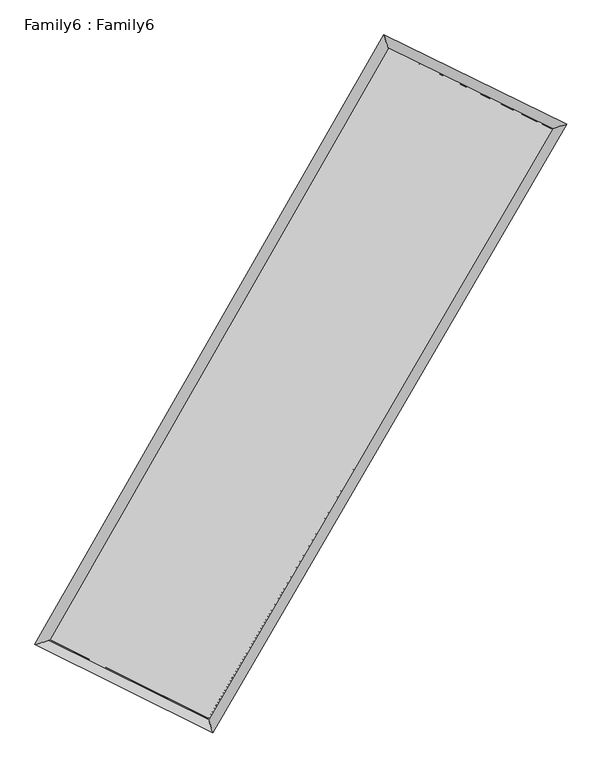
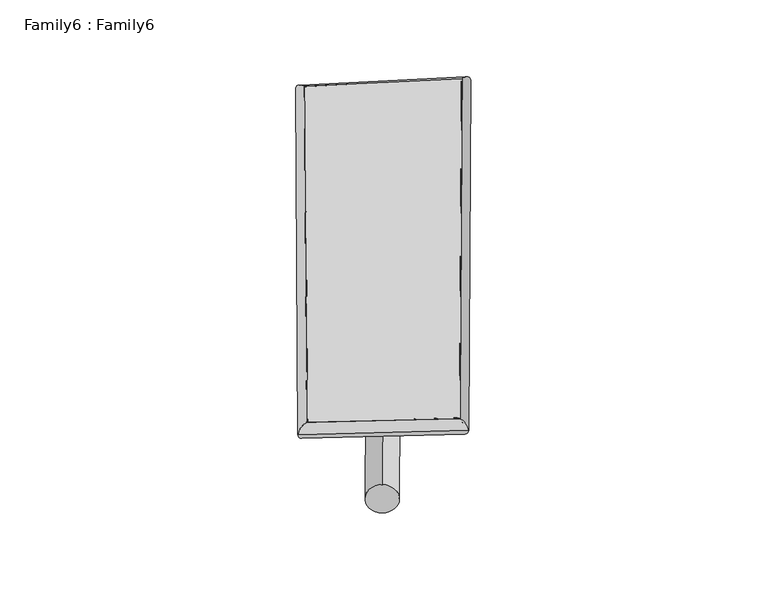
"""IFC4 building model written with IfcOpenShell, lengths in millimetres: plate geometry, Family6 : Family6."""

from ifc_helpers import new_model, si_unit, point, frame, origin, origin_2d, place, context, project, spatial, circle_curve, ellipse_curve, trimmed, segment, composite_curve, outline, extrude, source, transform, mapped, element, save
from ifc_brep_helpers import plane_surface, cylinder_surface, spline_surface, advanced_brep


def family6_family6_5b002ce4(model_context):
    return source(origin(), model_context, "Body", "SolidModel", [
        extrude(outline(composite_curve([segment(trimmed(circle_curve(origin_2d(), 76.2), [point((-75.4341514, -10.7763074))], [point((75.4341514, 10.7763074))], False, "CARTESIAN"), True, "CONTINUOUS"), segment(trimmed(circle_curve(origin_2d(), 76.2), [point((75.4341514, 10.7763074))], [point((-75.4341514, -10.7763074))], False, "CARTESIAN"), True, "CONTINUOUS")], self_intersect=False)), frame((9144.0, 9144.0, 0.0), z_axis=(0.6777027914080683, 0.6841219961020477, 0.2696219964451381), x_axis=(-0.6760460978060835, 0.7239091165228085, -0.13754004746376336)), (0.0, 0.0, 1.0), 5716.9769713),
        extrude(outline(composite_curve([segment(trimmed(circle_curve(origin_2d(), 76.2), [point((-53.8815368, 53.8815368))], [point((53.8815368, -53.8815368))], False, "CARTESIAN"), True, "CONTINUOUS"), segment(trimmed(circle_curve(origin_2d(), 76.2), [point((53.8815368, -53.8815368))], [point((-53.8815368, 53.8815368))], False, "CARTESIAN"), True, "CONTINUOUS")], self_intersect=False)), frame((9144.0, 9144.0, 0.0), z_axis=(-0.6730599264311279, -0.6883149705474405, 0.27057870713121734), x_axis=(0.6405917210101886, -0.35970518617099984, 0.6784205377307582)), (0.0, 0.0, 1.0), 5697.5736381),
        extrude(outline(composite_curve([segment(trimmed(circle_curve(origin_2d(), 76.2), [point((-53.8815368, -53.8815367))], [point((53.8815368, 53.8815367))], False, "CARTESIAN"), True, "CONTINUOUS"), segment(trimmed(circle_curve(origin_2d(), 76.2), [point((53.8815368, 53.8815367))], [point((-53.8815368, -53.8815367))], False, "CARTESIAN"), True, "CONTINUOUS")], self_intersect=False)), frame((9144.0, 9144.0, 0.0), z_axis=(0.24468528444794188, 0.9306348587515235, 0.27211738505865785), x_axis=(-0.8451485449402689, 0.34226371534915734, -0.4105843228141296)), (0.0, 0.0, 1.0), 5528.4915035),
        extrude(outline(composite_curve([segment(trimmed(circle_curve(origin_2d(), 76.2), [point((-75.4341514, 10.7763074))], [point((75.4341514, -10.7763074))], False, "CARTESIAN"), True, "CONTINUOUS"), segment(trimmed(circle_curve(origin_2d(), 76.2), [point((75.4341514, -10.7763074))], [point((-75.4341514, 10.7763074))], False, "CARTESIAN"), True, "CONTINUOUS")], self_intersect=False)), frame((9144.0, 9144.0, 0.0), z_axis=(-0.25139516884889346, -0.9288515362793662, 0.27209427158780436), x_axis=(0.8854243966886328, -0.10715762768696936, 0.45226196012606623)), (0.0, 0.0, 1.0), 5527.0322067),
        advanced_brep(
        [(5096.6497576, 5157.6130252, 1539.1243104), (5096.6135217, 5157.5544823, 1545.1935842), (5521.7332551, 5286.936513, 1544.1599071), (10558.052032, 14089.3503769, 1508.002191), (10435.4290002, 14488.663442, 1500.7951115), (5521.7694909, 5286.9950559, 1538.0906334), (12804.3148526, 12990.2150326, 1540.9826445), (13232.5076511, 13120.0043619, 1541.8628448), (7694.5032298, 4210.0487449, 1504.5327244), (7814.5583806, 3810.3665425, 1503.2148803)],
        [
            (0, 1, ellipse_curve(frame((5309.1915063, 5222.2747691, 1541.6421088), z_axis=(-0.29113217756516413, 0.9566535226761328, 0.007489508495977197), x_axis=(-0.9565859186245563, -0.2912051955941287, 0.011954678924956965)), 222.2422777, 152.4)),
            (1, 2, ellipse_curve(frame((5309.1915063, 5222.2747691, 1541.6421088), z_axis=(-0.29113217756516413, 0.9566535226761328, 0.007489508495977197), x_axis=(-0.9565859186245563, -0.2912051955941287, 0.011954678924956965)), 222.2422777, 152.4)),
            (2, 3),
            (3, 4, ellipse_curve(frame((10496.7405161, 14289.0069095, 1504.3986512), z_axis=(-0.9558878693663394, -0.2936577918172462, -0.006594126424241828), x_axis=(0.2935649477056824, -0.9558606703058162, 0.012247466720741059)), 208.891787, 152.4)),
            (4, 0),
            (2, 5, ellipse_curve(frame((5309.1915063, 5222.2747691, 1541.6421088), z_axis=(-0.29113217756516413, 0.9566535226761328, 0.007489508495977197), x_axis=(-0.9565859186245563, -0.2912051955941287, 0.011954678924956965)), 222.2422777, 152.4)),
            (5, 0, ellipse_curve(frame((5309.1915063, 5222.2747691, 1541.6421088), z_axis=(-0.29113217756516413, 0.9566535226761328, 0.007489508495977197), x_axis=(-0.9565859186245563, -0.2912051955941287, 0.011954678924956965)), 222.2422777, 152.4)),
            (4, 3, ellipse_curve(frame((10496.7405161, 14289.0069095, 1504.3986512), z_axis=(-0.9558878693663394, -0.2936577918172462, -0.006594126424241828), x_axis=(0.2935649477056824, -0.9558606703058162, 0.012247466720741059)), 208.891787, 152.4)),
            (3, 6),
            (6, 7, ellipse_curve(frame((13018.4112518, 13055.1096972, 1541.4227446), z_axis=(-0.2900563961411718, 0.9569836170415585, -0.007045833637770576), x_axis=(-0.9569211464180595, -0.29012181147669347, -0.011456615705723443)), 223.7274806, 152.4)),
            (7, 4),
            (7, 6, ellipse_curve(frame((13018.4112518, 13055.1096972, 1541.4227446), z_axis=(-0.2900563961411718, 0.9569836170415585, -0.007045833637770576), x_axis=(-0.9569211464180595, -0.29012181147669347, -0.011456615705723443)), 223.7274806, 152.4)),
            (6, 8),
            (8, 9, ellipse_curve(frame((7754.5308052, 4010.2076437, 1503.8738023), z_axis=(0.9576970272771446, 0.2876928400593527, -0.007016674647142908), x_axis=(-0.2875908058690124, 0.9576684442716332, 0.012754576667290051)), 208.6713156, 152.4)),
            (9, 7),
            (9, 8, ellipse_curve(frame((7754.5308052, 4010.2076437, 1503.8738023), z_axis=(0.9576970272771446, 0.2876928400593527, -0.007016674647142908), x_axis=(-0.2875908058690124, 0.9576684442716332, 0.012754576667290051)), 208.6713156, 152.4)),
            (8, 5),
            (1, 9),
        ],
        [
            cylinder_surface(frame((5309.1915063, 5222.2747691, 1541.6421088), z_axis=(-0.4966090662978193, -0.8679670060177006, 0.003565352083143347), x_axis=(-0.8678295548478593, 0.4964470241938798, -0.020303100787998678)), 152.4),
            cylinder_surface(frame((10496.7405161, 14289.0069095, 1504.3986512), z_axis=(-0.8981543507387106, 0.439482496191315, -0.013187031150943723), x_axis=(0.4396263949434912, 0.8981098545513423, -0.011283706250889897)), 152.4),
            cylinder_surface(frame((13018.4112518, 13055.1096972, 1541.4227446), z_axis=(0.5029897097934078, 0.8642849519662819, 0.0035879864249145415), x_axis=(0.8642918573734042, -0.5029897097934078, -0.0009680495724148904)), 152.4),
            cylinder_surface(frame((7754.5308052, 4010.2076437, 1503.8738023), z_axis=(0.8958899260263503, -0.4440605554529195, -0.013837034918849704), x_axis=(-0.4439797377024194, -0.8959953890805628, 0.008617148952054619)), 152.4),
        ],
        [
            (0, [[1, 2, 3, 4, 5]]),
            (0, [[6, 7, -5, 8, -3]]),
            (1, [[-4, 9, 10, 11]]),
            (1, [[-8, -11, 12, -9]]),
            (2, [[-10, 13, 14, 15]]),
            (2, [[-12, -15, 16, -13]]),
            (3, [[-14, 17, -6, -2, 18]]),
            (3, [[-16, -18, -1, -7, -17]]),
        ],
    ),
        extrude(outline(composite_curve([segment(trimmed(circle_curve(origin_2d(), 304.8), [point((-1e-07, 304.8))], [point((-1e-07, -304.8))], False, "CARTESIAN"), True, "CONTINUOUS"), segment(trimmed(circle_curve(origin_2d(), 304.8), [point((-1e-07, -304.8))], [point((-1e-07, 304.8))], False, "CARTESIAN"), True, "CONTINUOUS")], self_intersect=False)), frame((11785.9873737, 13684.4871795, -0.0149594), z_axis=(-0.5029290438962237, -0.8643277022041589, 2.8476778790652954e-06), x_axis=(-0.8643277022085085, 0.5029290438962237, -7.682018088072693e-07)), (0.0, 0.0, 1.0), 10506.4020693),
        advanced_brep(
        [(5309.1915063, 5222.2747691, 1541.6421088), (7754.5308052, 4010.2076437, 1503.8738023), (7754.5225231, 4010.209426, 1656.2738021), (5309.1832242, 5222.2765514, 1694.0421085), (13018.4112518, 13055.1096972, 1541.4227446), (13018.4029697, 13055.1114796, 1693.8227444), (10496.7405161, 14289.0069095, 1504.3986512), (10496.732234, 14289.0086918, 1656.798651)],
        [
            (0, 1),
            (1, 2),
            (2, 3),
            (3, 0),
            (1, 4),
            (4, 5),
            (5, 2),
            (4, 6),
            (6, 7),
            (7, 5),
            (6, 0),
            (3, 7),
        ],
        [
            plane_surface(frame((6531.8611557, 4616.2412064, 1522.7579556), z_axis=(-0.4441032415383755, -0.8959756194610539, -1.365608525005519e-05), x_axis=(0.8958899260263503, -0.44406055545291945, -0.013837034918849694))),
            plane_surface(frame((10386.4710285, 8532.6586705, 1522.6482735), z_axis=(0.8642904186782919, -0.5029931106760629, 5.2851876378715934e-05), x_axis=(0.5029897097934076, 0.864284951966282, 0.003587986424914554))),
            plane_surface(frame((11757.575884, 13672.0583034, 1522.9106979), z_axis=(0.43952055514622346, 0.8982325319341947, 1.3380647172687304e-05), x_axis=(-0.8981543507387106, 0.43948249619131513, -0.013187031150943714))),
            plane_surface(frame((7902.9660112, 9755.6408393, 1523.02038), z_axis=(-0.8679726153379139, 0.4966120580663156, -5.297735672643144e-05), x_axis=(-0.4966090662978193, -0.8679670060177008, 0.0035653520831433563))),
            spline_surface(1, 1, [[(7754.5225231, 4010.209426, 1656.2738021), (5309.1832242, 5222.2765514, 1694.0421085)], [(13018.4029697, 13055.1114796, 1693.8227444), (10496.732234, 14289.0086918, 1656.798651)]], [2, 2], [2, 2], [0.0, 1.0], [0.0, 1.0]),
            spline_surface(1, 1, [[(10496.7405161, 14289.0069095, 1504.3986512), (5309.1915063, 5222.2747691, 1541.6421088)], [(13018.4112518, 13055.1096972, 1541.4227446), (7754.5308052, 4010.2076437, 1503.8738023)]], [2, 2], [2, 2], [0.0, 1.0], [0.0, 1.0]),
        ],
        [
            (0, [[1, 2, 3, 4]]),
            (1, [[5, 6, 7, -2]]),
            (2, [[8, 9, 10, -6]]),
            (3, [[11, -4, 12, -9]]),
            (4, [[-3, -7, -10, -12]]),
            (5, [[-11, -8, -5, -1]]),
        ],
    ),
    ])


if __name__ == "__main__":
    model = new_model("IFC4")
    model_context = context("Model", 3, world=origin())
    ifc_project = project(units=[si_unit("LENGTHUNIT", "METRE", prefix="MILLI")], contexts=[model_context])
    site = spatial("IfcSite", under=ifc_project)
    building = spatial("IfcBuilding", under=site)
    placement = place(None, origin())
    family6_family6_shape = family6_family6_5b002ce4(model_context)
    element("IfcPlate", 1, ObjectType="Family6 : Family6", at=placement, inside=building, context=model_context, shape_type="MappedRepresentation", body=[
        mapped(family6_family6_shape, transform((0.0, 0.0, 0.0), x_axis=(1.0, 0.0, 0.0), y_axis=(0.0, 1.0, 0.0), z_axis=(0.0, 0.0, 1.0))),
    ])
    save(model, "model.ifc")
